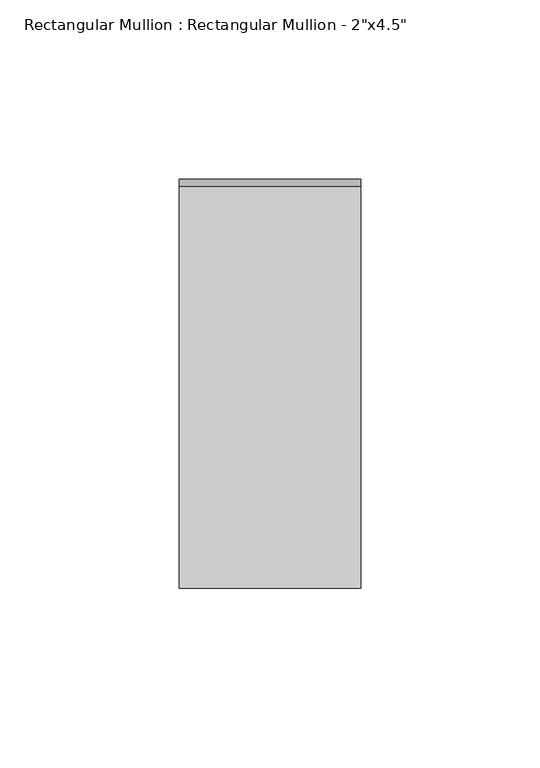
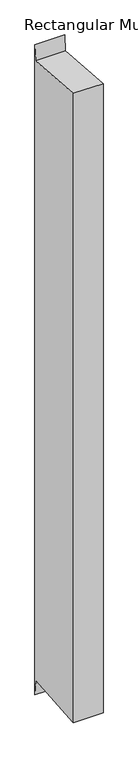
"""IFC4 building model written with IfcOpenShell, lengths in millimetres: member geometry."""

from ifc_helpers import new_model, si_unit, frame, origin, place, context, project, spatial, polyline, outline, extrude, source, transform, mapped, element, save


def member_b1967b40(model_context):
    return source(origin(), model_context, "Body", "SweptSolid", [
        extrude(outline(polyline([(-57.15, 4.25775), (55.0674329, -4.2455786), (57.15, 23.2378153), (57.15, -1154.6618513), (55.0674329, -1127.1784574), (-57.15, -1135.681786), (-57.15, 4.25775)])), frame((-50.8, 0.0, 0.0), z_axis=(1.0, 0.0, 0.0), x_axis=(0.0, 1.0, 0.0)), (0.0, 0.0, 1.0), 50.8),
    ])


if __name__ == "__main__":
    model = new_model("IFC4")
    model_context = context("Model", 3, world=origin())
    ifc_project = project(units=[si_unit("LENGTHUNIT", "METRE", prefix="MILLI")], contexts=[model_context])
    site = spatial("IfcSite", under=ifc_project)
    building = spatial("IfcBuilding", under=site)
    placement = place(None, origin())
    member_shape = member_b1967b40(model_context)
    element("IfcMember", 1, ObjectType="Rectangular Mullion : Rectangular Mullion - 2\"x4.5\"", at=placement, inside=building, context=model_context, shape_type="MappedRepresentation", body=[
        mapped(member_shape, transform((0.0, 0.0, 0.0), x_axis=(1.0, 0.0, 0.0), y_axis=(0.0, 1.0, 0.0), z_axis=(0.0, 0.0, 1.0))),
    ])
    save(model, "model.ifc")
